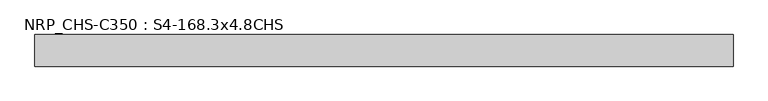
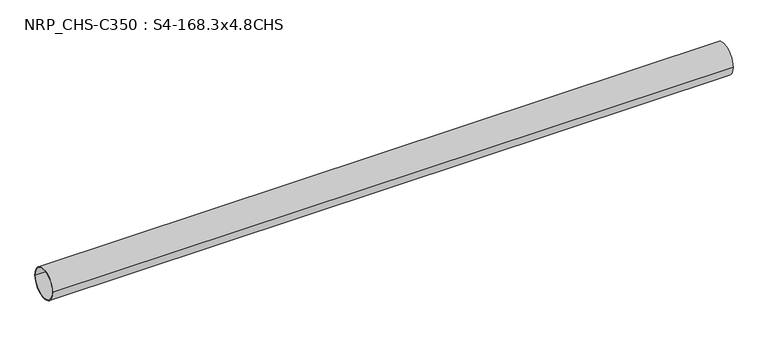
"""IFC4 building model written with IfcOpenShell, lengths in millimetres: beam geometry, NRP_CHS-C350 : S4-168.3x4.8CHS."""

from ifc_helpers import new_model, si_unit, point, frame, origin, origin_2d, place, context, project, spatial, circle_curve, trimmed, segment, composite_curve, outline, extrude, source, transform, mapped, element, save


def nrp_chs_c350_s4_168_3x4_8chs_d7ca9e41(model_context):
    return source(origin(), model_context, "Body", "SweptSolid", [
        extrude(outline(composite_curve([segment(trimmed(circle_curve(origin_2d(), 84.15), [point((-84.15, 0.0))], [point((84.15, 0.0))], False, "CARTESIAN"), True, "CONTINUOUS"), segment(trimmed(circle_curve(origin_2d(), 84.15), [point((84.15, 0.0))], [point((-84.15, 0.0))], False, "CARTESIAN"), True, "CONTINUOUS")], self_intersect=False), holes=[composite_curve([segment(trimmed(circle_curve(origin_2d(), 79.35), [point((79.35, 0.0))], [point((-79.35, 0.0))], True, "CARTESIAN"), True, "CONTINUOUS"), segment(trimmed(circle_curve(origin_2d(), 79.35), [point((-79.35, 0.0))], [point((79.35, 0.0))], True, "CARTESIAN"), True, "CONTINUOUS")], self_intersect=False)]), frame((-1658.15, 0.0, 0.0), z_axis=(1.0, 0.0, 0.0), x_axis=(0.0, 1.0, 0.0)), (0.0, 0.0, 1.0), 3717.4),
    ])


if __name__ == "__main__":
    model = new_model("IFC4")
    model_context = context("Model", 3, world=origin())
    ifc_project = project(units=[si_unit("LENGTHUNIT", "METRE", prefix="MILLI")], contexts=[model_context])
    site = spatial("IfcSite", under=ifc_project)
    building = spatial("IfcBuilding", under=site)
    placement = place(None, origin())
    nrp_chs_c350_s4_168_3x4_8chs_shape = nrp_chs_c350_s4_168_3x4_8chs_d7ca9e41(model_context)
    element("IfcBeam", 1, ObjectType="NRP_CHS-C350 : S4-168.3x4.8CHS", at=placement, inside=building, context=model_context, shape_type="MappedRepresentation", body=[
        mapped(nrp_chs_c350_s4_168_3x4_8chs_shape, transform((0.0, 0.0, 0.0), x_axis=(1.0, 0.0, 0.0), y_axis=(0.0, 1.0, 0.0), z_axis=(0.0, 0.0, 1.0))),
    ])
    save(model, "model.ifc")
